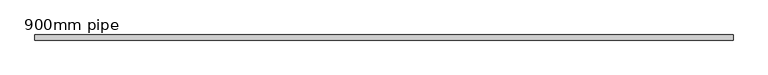
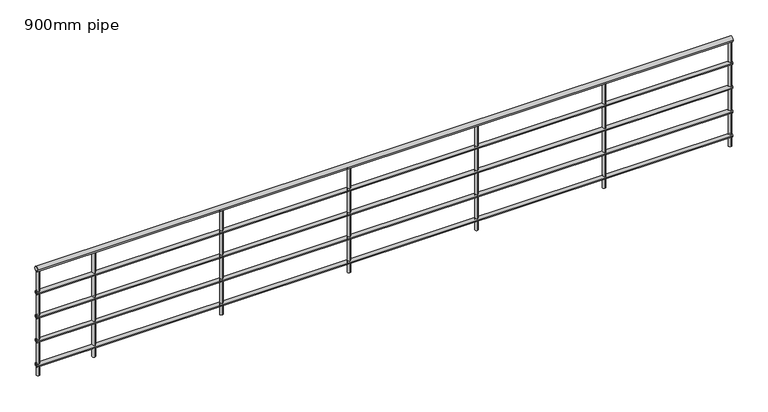
"""IFC4 building model written with IfcOpenShell, lengths in millimetres: railing geometry, 900mm pipe."""

import ifcopenshell
import ifcopenshell.guid

model = None  # the IFC model being written
_history = None  # IfcOwnerHistory: only IFC2X3 demands one
_inside = {}  # id of a spatial element -> (the spatial element, [elements in it])
_under = {}  # id of a project, library or spatial element -> (it, [spatial elements below it])
_declared = {}  # id of a project -> (the project, [libraries it declares])
_typed = {}  # id of a type object -> (the type object, [elements of that type])
_made_of = {}  # id of a material, layer set ... -> (it, [elements and type objects made of it])


def new_model(schema):
    """Start an empty IFC model of exactly this schema.

    Asked for "IFC4X3", IfcOpenShell would pick the latest addendum, in which some entities
    have other attributes; the version numbers below select the first issue.
    IFC2X3 requires an IfcOwnerHistory on every rooted entity: one is made here for all.
    """
    global model, _history
    if schema == "IFC4X3":
        model = ifcopenshell.file(schema_version=(4, 3, 0, 0))
    else:
        model = ifcopenshell.file(schema=schema)
    _inside.clear()
    _under.clear()
    _declared.clear()
    _typed.clear()
    _made_of.clear()
    _history = None
    if model.schema == "IFC2X3":
        org = make("IfcOrganization", Name="unknown")
        user = make(
            "IfcPersonAndOrganization",
            ThePerson=make("IfcPerson", FamilyName="unknown"),
            TheOrganization=org,
        )
        app = make(
            "IfcApplication",
            ApplicationDeveloper=org,
            Version="unknown",
            ApplicationFullName="unknown",
            ApplicationIdentifier="unknown",
        )
        _history = make(
            "IfcOwnerHistory",
            OwningUser=user,
            OwningApplication=app,
            ChangeAction="ADDED",
            CreationDate=0,
        )
    return model


def make(cls, **values):
    """One entity of the class cls with the attributes given. An attribute that is None is left unset."""
    return model.create_entity(
        cls, **{name: value for name, value in values.items() if value is not None}
    )


def rooted(cls, **values):
    """An entity with a GlobalId (a new one), such as an element, a storey or a relation."""
    return make(cls, GlobalId=ifcopenshell.guid.new(), OwnerHistory=_history, **values)


def si_unit(unit_type, name, prefix=None):
    """IfcSIUnit, for example si_unit("LENGTHUNIT", "METRE", prefix="MILLI")."""
    return make("IfcSIUnit", UnitType=unit_type, Prefix=prefix, Name=name)


def assignment(units):
    """IfcUnitAssignment: the units of a project."""
    return None if units is None else make("IfcUnitAssignment", Units=units)


def point(xyz):
    """IfcCartesianPoint."""
    return None if xyz is None else make("IfcCartesianPoint", Coordinates=xyz)


def direction(xyz):
    """IfcDirection."""
    return None if xyz is None else make("IfcDirection", DirectionRatios=xyz)


def frame(location, z_axis=None, x_axis=None):
    """IfcAxis2Placement3D, a coordinate frame: its origin and axes. An axis left out is left unset."""
    return make(
        "IfcAxis2Placement3D",
        Location=point(location),
        Axis=direction(z_axis),
        RefDirection=direction(x_axis),
    )


def frame_2d(location, x_axis=None):
    """IfcAxis2Placement2D, a coordinate frame in the plane: its origin and x axis."""
    return make(
        "IfcAxis2Placement2D", Location=point(location), RefDirection=direction(x_axis)
    )


def origin():
    """The frame at (0, 0, 0) with its axes left unset."""
    return frame((0.0, 0.0, 0.0))


def origin_with_axes():
    """The frame at (0, 0, 0) with the z axis (0, 0, 1) and the x axis (1, 0, 0) written out."""
    return frame((0.0, 0.0, 0.0), z_axis=(0.0, 0.0, 1.0), x_axis=(1.0, 0.0, 0.0))


def place(relative_to, where):
    """IfcLocalPlacement: puts the frame where relative to a parent placement (None: the world)."""
    return make(
        "IfcLocalPlacement", PlacementRelTo=relative_to, RelativePlacement=where
    )


def context(
    kind, dimensions, precision=None, world=None, true_north=None, identifier=None
):
    """IfcGeometricRepresentationContext, for example the 3D "Model" context."""
    return make(
        "IfcGeometricRepresentationContext",
        ContextIdentifier=identifier,
        ContextType=kind,
        CoordinateSpaceDimension=dimensions,
        Precision=precision,
        WorldCoordinateSystem=world,
        TrueNorth=true_north,
    )


def project(units=None, contexts=None):
    """IfcProject with its units and contexts."""
    return rooted(
        "IfcProject",
        Name="project",
        RepresentationContexts=contexts,
        UnitsInContext=assignment(units),
    )


def spatial(cls, under=None, at=None, **own):
    """A site, building, storey or space (cls), placed at a placement, below another one or the project."""
    s = rooted(cls, ObjectPlacement=at, **own)
    if under is not None:
        _under.setdefault(under.id(), (under, []))[1].append(s)
    return s


def circle_curve(where, radius):
    """IfcCircle in the frame where."""
    return make("IfcCircle", Position=where, Radius=radius)


def trimmed(basis, trim1, trim2, sense, master):
    """IfcTrimmedCurve: the piece of a basis curve between two trims."""
    return make(
        "IfcTrimmedCurve",
        BasisCurve=basis,
        Trim1=trim1,
        Trim2=trim2,
        SenseAgreement=sense,
        MasterRepresentation=master,
    )


def segment(curve, same_sense, transition):
    """IfcCompositeCurveSegment."""
    return make(
        "IfcCompositeCurveSegment",
        Transition=transition,
        SameSense=same_sense,
        ParentCurve=curve,
    )


def composite_curve(segments, self_intersect=None):
    """IfcCompositeCurve: segments joined end to end."""
    return make("IfcCompositeCurve", Segments=segments, SelfIntersect=self_intersect)


def outline(outer, holes=None, kind="AREA"):
    """IfcArbitraryClosedProfileDef: a profile drawn as a closed curve; with holes, ...WithVoids."""
    if holes is None:
        return make("IfcArbitraryClosedProfileDef", ProfileType=kind, OuterCurve=outer)
    return make(
        "IfcArbitraryProfileDefWithVoids",
        ProfileType=kind,
        OuterCurve=outer,
        InnerCurves=holes,
    )


def extrude(swept, where, along, depth):
    """IfcExtrudedAreaSolid: the profile swept, set in the frame where, extruded along a direction by depth."""
    return make(
        "IfcExtrudedAreaSolid",
        SweptArea=swept,
        Position=where,
        ExtrudedDirection=direction(along),
        Depth=depth,
    )


def shape(context_of_items, identifier, shape_type, items):
    """IfcShapeRepresentation: the items that make up one representation, for example the "Body"."""
    return make(
        "IfcShapeRepresentation",
        ContextOfItems=context_of_items,
        RepresentationIdentifier=identifier,
        RepresentationType=shape_type,
        Items=items,
    )


def source(mapping_origin, context_of_items, identifier, shape_type, items):
    """IfcRepresentationMap: a shape defined once, which mapped items show again and again."""
    return make(
        "IfcRepresentationMap",
        MappingOrigin=mapping_origin,
        MappedRepresentation=shape(context_of_items, identifier, shape_type, items),
    )


def transform(
    local_origin,
    x_axis=None,
    y_axis=None,
    z_axis=None,
    scale=None,
    scale2=None,
    scale3=None,
    uniform=True,
):
    """IfcCartesianTransformationOperator3D, or its non-uniform kind. x_axis, y_axis, z_axis: its Axis1, 2, 3."""
    if uniform:
        return make(
            "IfcCartesianTransformationOperator3D",
            Axis1=direction(x_axis),
            Axis2=direction(y_axis),
            LocalOrigin=point(local_origin),
            Scale=scale,
            Axis3=direction(z_axis),
        )
    return make(
        "IfcCartesianTransformationOperator3DnonUniform",
        Axis1=direction(x_axis),
        Axis2=direction(y_axis),
        LocalOrigin=point(local_origin),
        Scale=scale,
        Axis3=direction(z_axis),
        Scale2=scale2,
        Scale3=scale3,
    )


def mapped(mapping_source, mapping_target):
    """IfcMappedItem: shows the shape of a source again, moved by a transform."""
    return make(
        "IfcMappedItem", MappingSource=mapping_source, MappingTarget=mapping_target
    )


def made_of(thing, what):
    """Note that an element or type object is made of a material, layer set ...; save() writes the relation."""
    if what is not None:
        _made_of.setdefault(what.id(), (what, []))[1].append(thing)
    return thing


def element(
    cls,
    number,
    at=None,
    inside=None,
    cuts=None,
    type_object=None,
    material=None,
    context=None,
    identifier="Body",
    shape_type=None,
    held_by="IfcProductDefinitionShape",
    body=None,
    shapes=None,
    **own,
):
    """One element of the class cls, such as IfcWall. Its Tag is "e" and its number.

    at: its placement. inside: the storey or other place that contains it. cuts: it is an
    opening in that element (IfcRelVoidsElement). A single representation is given by context,
    identifier, shape_type and body (its items); several are given by shapes. held_by: the class
    of the entity that holds the representations. save() writes the other relations.
    """
    e = rooted(cls, Tag="e%d" % number, ObjectPlacement=at, **own)
    if body is not None:
        shapes = [shape(context, identifier, shape_type, body)]
    if shapes is not None:
        e.Representation = make(held_by, Representations=shapes)
    if inside is not None:
        _inside.setdefault(inside.id(), (inside, []))[1].append(e)
    if cuts is not None:
        rooted(
            "IfcRelVoidsElement", RelatingBuildingElement=cuts, RelatedOpeningElement=e
        )
    if type_object is not None:
        _typed.setdefault(type_object.id(), (type_object, []))[1].append(e)
    return made_of(e, material)


def aggregate(whole, parts):
    """IfcRelAggregates: a whole, such as a stair, and the parts it consists of."""
    return rooted("IfcRelAggregates", RelatingObject=whole, RelatedObjects=parts)


def save(model, path):
    """Write the relations noted so far, then the file.

    IfcRelAggregates (storeys below a building ...), IfcRelContainedInSpatialStructure (elements
    in a storey), IfcRelDefinesByType, IfcRelAssociatesMaterial and IfcRelDeclares: one each for
    every whole, place, type object, material and project.
    """
    for whole, parts in _under.values():
        aggregate(whole, parts)
    for where, things in _inside.values():
        rooted(
            "IfcRelContainedInSpatialStructure",
            RelatedElements=things,
            RelatingStructure=where,
        )
    for kind, things in _typed.values():
        rooted("IfcRelDefinesByType", RelatedObjects=things, RelatingType=kind)
    for what, things in _made_of.values():
        rooted("IfcRelAssociatesMaterial", RelatedObjects=things, RelatingMaterial=what)
    for by, libraries in _declared.values():
        rooted("IfcRelDeclares", RelatingContext=by, RelatedDefinitions=libraries)
    model.write(path)


def railing_900mm_pipe_d704850a(model_context):
    return source(origin(), model_context, "Body", "SweptSolid", [
        extrude(outline(composite_curve([segment(trimmed(circle_curve(frame_2d((-1257.5565905, 880.0)), 20.0), [point((-1277.5565905, 880.0))], [point((-1237.5565905, 880.0))], False, "CARTESIAN"), True, "CONTINUOUS"), segment(trimmed(circle_curve(frame_2d((-1257.5565905, 880.0)), 20.0), [point((-1237.5565905, 880.0))], [point((-1277.5565905, 880.0))], False, "CARTESIAN"), True, "CONTINUOUS")], self_intersect=False)), frame((1564.840733, 0.0, 0.0), z_axis=(1.0, 0.0, 0.0), x_axis=(0.0, 1.0, 0.0)), (0.0, 0.0, 1.0), 5450.0),
        extrude(outline(composite_curve([segment(trimmed(circle_curve(frame_2d((-1257.5565905, 685.0)), 15.0), [point((-1272.5565905, 685.0))], [point((-1242.5565905, 685.0))], False, "CARTESIAN"), True, "CONTINUOUS"), segment(trimmed(circle_curve(frame_2d((-1257.5565905, 685.0)), 15.0), [point((-1242.5565905, 685.0))], [point((-1272.5565905, 685.0))], False, "CARTESIAN"), True, "CONTINUOUS")], self_intersect=False)), frame((1564.840733, 0.0, 0.0), z_axis=(1.0, 0.0, 0.0), x_axis=(0.0, 1.0, 0.0)), (0.0, 0.0, 1.0), 5450.0),
        extrude(outline(composite_curve([segment(trimmed(circle_curve(frame_2d((-1257.5565905, 485.0)), 15.0), [point((-1272.5565905, 485.0))], [point((-1242.5565905, 485.0))], False, "CARTESIAN"), True, "CONTINUOUS"), segment(trimmed(circle_curve(frame_2d((-1257.5565905, 485.0)), 15.0), [point((-1242.5565905, 485.0))], [point((-1272.5565905, 485.0))], False, "CARTESIAN"), True, "CONTINUOUS")], self_intersect=False)), frame((1564.840733, 0.0, 0.0), z_axis=(1.0, 0.0, 0.0), x_axis=(0.0, 1.0, 0.0)), (0.0, 0.0, 1.0), 5450.0),
        extrude(outline(composite_curve([segment(trimmed(circle_curve(frame_2d((-1257.5565905, 285.0)), 15.0), [point((-1272.5565905, 285.0))], [point((-1242.5565905, 285.0))], False, "CARTESIAN"), True, "CONTINUOUS"), segment(trimmed(circle_curve(frame_2d((-1257.5565905, 285.0)), 15.0), [point((-1242.5565905, 285.0))], [point((-1272.5565905, 285.0))], False, "CARTESIAN"), True, "CONTINUOUS")], self_intersect=False)), frame((1564.840733, 0.0, 0.0), z_axis=(1.0, 0.0, 0.0), x_axis=(0.0, 1.0, 0.0)), (0.0, 0.0, 1.0), 5450.0),
        extrude(outline(composite_curve([segment(trimmed(circle_curve(frame_2d((-1257.5565905, 85.0)), 15.0), [point((-1272.5565905, 85.0))], [point((-1242.5565905, 85.0))], False, "CARTESIAN"), True, "CONTINUOUS"), segment(trimmed(circle_curve(frame_2d((-1257.5565905, 85.0)), 15.0), [point((-1242.5565905, 85.0))], [point((-1272.5565905, 85.0))], False, "CARTESIAN"), True, "CONTINUOUS")], self_intersect=False)), frame((1564.840733, 0.0, 0.0), z_axis=(1.0, 0.0, 0.0), x_axis=(0.0, 1.0, 0.0)), (0.0, 0.0, 1.0), 5450.0),
        extrude(outline(composite_curve([segment(trimmed(circle_curve(frame_2d((2014.840733, -1257.5565905)), 12.5), [point((2014.840733, -1270.0565905))], [point((2014.840733, -1245.0565905))], False, "CARTESIAN"), True, "CONTINUOUS"), segment(trimmed(circle_curve(frame_2d((2014.840733, -1257.5565905)), 12.5), [point((2014.840733, -1245.0565905))], [point((2014.840733, -1270.0565905))], False, "CARTESIAN"), True, "CONTINUOUS")], self_intersect=False)), origin_with_axes(), (0.0, 0.0, 1.0), 860.0),
        extrude(outline(composite_curve([segment(trimmed(circle_curve(frame_2d((3014.840733, -1257.5565905)), 12.5), [point((3014.840733, -1270.0565905))], [point((3014.840733, -1245.0565905))], False, "CARTESIAN"), True, "CONTINUOUS"), segment(trimmed(circle_curve(frame_2d((3014.840733, -1257.5565905)), 12.5), [point((3014.840733, -1245.0565905))], [point((3014.840733, -1270.0565905))], False, "CARTESIAN"), True, "CONTINUOUS")], self_intersect=False)), origin_with_axes(), (0.0, 0.0, 1.0), 860.0),
        extrude(outline(composite_curve([segment(trimmed(circle_curve(frame_2d((4014.840733, -1257.5565905)), 12.5), [point((4014.840733, -1270.0565905))], [point((4014.840733, -1245.0565905))], False, "CARTESIAN"), True, "CONTINUOUS"), segment(trimmed(circle_curve(frame_2d((4014.840733, -1257.5565905)), 12.5), [point((4014.840733, -1245.0565905))], [point((4014.840733, -1270.0565905))], False, "CARTESIAN"), True, "CONTINUOUS")], self_intersect=False)), origin_with_axes(), (0.0, 0.0, 1.0), 860.0),
        extrude(outline(composite_curve([segment(trimmed(circle_curve(frame_2d((5014.840733, -1257.5565905)), 12.5), [point((5014.840733, -1270.0565905))], [point((5014.840733, -1245.0565905))], False, "CARTESIAN"), True, "CONTINUOUS"), segment(trimmed(circle_curve(frame_2d((5014.840733, -1257.5565905)), 12.5), [point((5014.840733, -1245.0565905))], [point((5014.840733, -1270.0565905))], False, "CARTESIAN"), True, "CONTINUOUS")], self_intersect=False)), origin_with_axes(), (0.0, 0.0, 1.0), 860.0),
        extrude(outline(composite_curve([segment(trimmed(circle_curve(frame_2d((6014.840733, -1257.5565905)), 12.5), [point((6014.840733, -1270.0565905))], [point((6014.840733, -1245.0565905))], False, "CARTESIAN"), True, "CONTINUOUS"), segment(trimmed(circle_curve(frame_2d((6014.840733, -1257.5565905)), 12.5), [point((6014.840733, -1245.0565905))], [point((6014.840733, -1270.0565905))], False, "CARTESIAN"), True, "CONTINUOUS")], self_intersect=False)), origin_with_axes(), (0.0, 0.0, 1.0), 860.0),
        extrude(outline(composite_curve([segment(trimmed(circle_curve(frame_2d((1577.340733, -1257.5565905)), 12.5), [point((1577.340733, -1270.0565905))], [point((1577.340733, -1245.0565905))], False, "CARTESIAN"), True, "CONTINUOUS"), segment(trimmed(circle_curve(frame_2d((1577.340733, -1257.5565905)), 12.5), [point((1577.340733, -1245.0565905))], [point((1577.340733, -1270.0565905))], False, "CARTESIAN"), True, "CONTINUOUS")], self_intersect=False)), origin_with_axes(), (0.0, 0.0, 1.0), 860.0),
        extrude(outline(composite_curve([segment(trimmed(circle_curve(frame_2d((7002.340733, -1257.5565905)), 12.5), [point((7002.340733, -1270.0565905))], [point((7002.340733, -1245.0565905))], False, "CARTESIAN"), True, "CONTINUOUS"), segment(trimmed(circle_curve(frame_2d((7002.340733, -1257.5565905)), 12.5), [point((7002.340733, -1245.0565905))], [point((7002.340733, -1270.0565905))], False, "CARTESIAN"), True, "CONTINUOUS")], self_intersect=False)), origin_with_axes(), (0.0, 0.0, 1.0), 860.0),
    ])


if __name__ == "__main__":
    model = new_model("IFC4")
    model_context = context("Model", 3, world=origin())
    ifc_project = project(units=[si_unit("LENGTHUNIT", "METRE", prefix="MILLI")], contexts=[model_context])
    site = spatial("IfcSite", under=ifc_project)
    building = spatial("IfcBuilding", under=site)
    placement = place(None, origin())
    railing_900mm_pipe_shape = railing_900mm_pipe_d704850a(model_context)
    element("IfcRailing", 1, ObjectType="900mm pipe", at=placement, inside=building, context=model_context, shape_type="MappedRepresentation", body=[
        mapped(railing_900mm_pipe_shape, transform((0.0, 0.0, 0.0), x_axis=(1.0, 0.0, 0.0), y_axis=(0.0, 1.0, 0.0), z_axis=(0.0, 0.0, 1.0))),
    ])
    save(model, "model.ifc")
